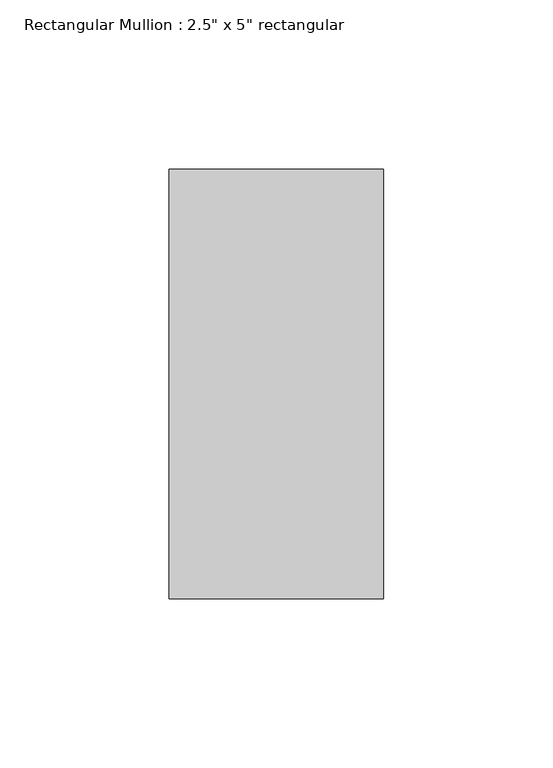
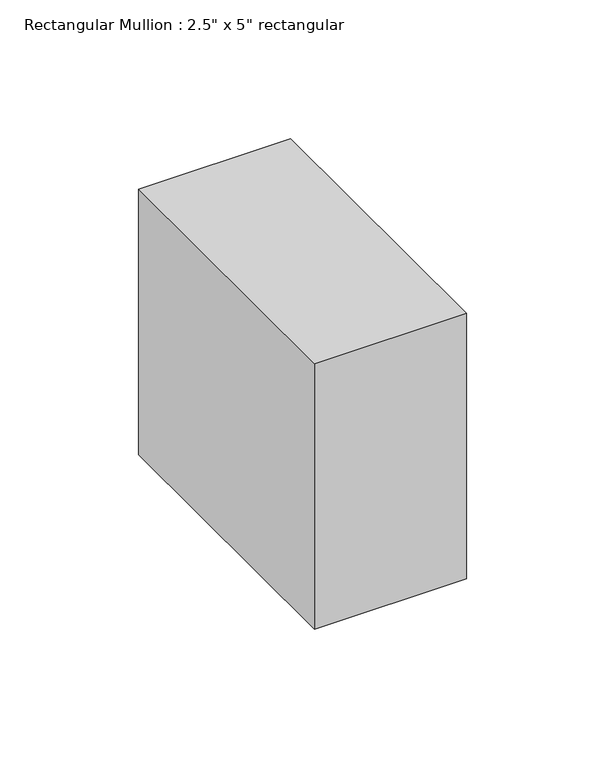
"""IFC4 building model written with IfcOpenShell, lengths in millimetres: member geometry."""

from ifc_helpers import new_model, si_unit, frame, origin, place, context, project, spatial, polyline, outline, extrude, source, transform, mapped, element, save


def member_439a0b40(model_context):
    return source(origin(), model_context, "Body", "SweptSolid", [
        extrude(outline(polyline([(0.0, 63.5), (0.0, -63.5), (-63.5, -63.5), (-63.5, 63.5), (0.0, 63.5)])), frame((0.0, 0.0, -117.0240554), z_axis=(0.0, 0.0, 1.0), x_axis=(1.0, 0.0, 0.0)), (0.0, 0.0, 1.0), 117.0240554),
    ])


if __name__ == "__main__":
    model = new_model("IFC4")
    model_context = context("Model", 3, world=origin())
    ifc_project = project(units=[si_unit("LENGTHUNIT", "METRE", prefix="MILLI")], contexts=[model_context])
    site = spatial("IfcSite", under=ifc_project)
    building = spatial("IfcBuilding", under=site)
    placement = place(None, origin())
    member_shape = member_439a0b40(model_context)
    element("IfcMember", 1, ObjectType="Rectangular Mullion : 2.5\" x 5\" rectangular", at=placement, inside=building, context=model_context, shape_type="MappedRepresentation", body=[
        mapped(member_shape, transform((0.0, 0.0, 0.0), x_axis=(1.0, 0.0, 0.0), y_axis=(0.0, 1.0, 0.0), z_axis=(0.0, 0.0, 1.0))),
    ])
    save(model, "model.ifc")
